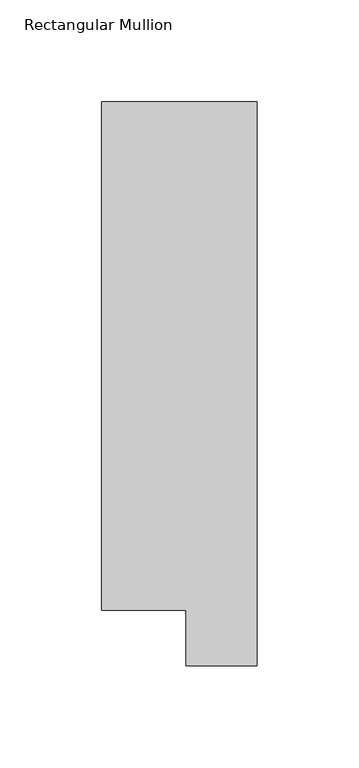
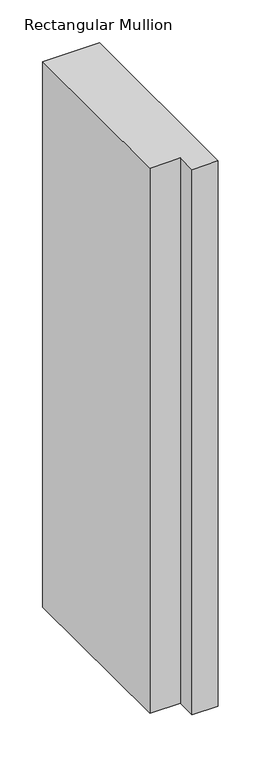
"""IFC4 building model written with IfcOpenShell, lengths in millimetres: member geometry, Rectangular Mullion."""

import ifcopenshell
import ifcopenshell.guid

model = None  # the IFC model being written
_history = None  # IfcOwnerHistory: only IFC2X3 demands one
_inside = {}  # id of a spatial element -> (the spatial element, [elements in it])
_under = {}  # id of a project, library or spatial element -> (it, [spatial elements below it])
_declared = {}  # id of a project -> (the project, [libraries it declares])
_typed = {}  # id of a type object -> (the type object, [elements of that type])
_made_of = {}  # id of a material, layer set ... -> (it, [elements and type objects made of it])


def new_model(schema):
    """Start an empty IFC model of exactly this schema.

    Asked for "IFC4X3", IfcOpenShell would pick the latest addendum, in which some entities
    have other attributes; the version numbers below select the first issue.
    IFC2X3 requires an IfcOwnerHistory on every rooted entity: one is made here for all.
    """
    global model, _history
    if schema == "IFC4X3":
        model = ifcopenshell.file(schema_version=(4, 3, 0, 0))
    else:
        model = ifcopenshell.file(schema=schema)
    _inside.clear()
    _under.clear()
    _declared.clear()
    _typed.clear()
    _made_of.clear()
    _history = None
    if model.schema == "IFC2X3":
        org = make("IfcOrganization", Name="unknown")
        user = make(
            "IfcPersonAndOrganization",
            ThePerson=make("IfcPerson", FamilyName="unknown"),
            TheOrganization=org,
        )
        app = make(
            "IfcApplication",
            ApplicationDeveloper=org,
            Version="unknown",
            ApplicationFullName="unknown",
            ApplicationIdentifier="unknown",
        )
        _history = make(
            "IfcOwnerHistory",
            OwningUser=user,
            OwningApplication=app,
            ChangeAction="ADDED",
            CreationDate=0,
        )
    return model


def make(cls, **values):
    """One entity of the class cls with the attributes given. An attribute that is None is left unset."""
    return model.create_entity(
        cls, **{name: value for name, value in values.items() if value is not None}
    )


def rooted(cls, **values):
    """An entity with a GlobalId (a new one), such as an element, a storey or a relation."""
    return make(cls, GlobalId=ifcopenshell.guid.new(), OwnerHistory=_history, **values)


def si_unit(unit_type, name, prefix=None):
    """IfcSIUnit, for example si_unit("LENGTHUNIT", "METRE", prefix="MILLI")."""
    return make("IfcSIUnit", UnitType=unit_type, Prefix=prefix, Name=name)


def assignment(units):
    """IfcUnitAssignment: the units of a project."""
    return None if units is None else make("IfcUnitAssignment", Units=units)


def point(xyz):
    """IfcCartesianPoint."""
    return None if xyz is None else make("IfcCartesianPoint", Coordinates=xyz)


def direction(xyz):
    """IfcDirection."""
    return None if xyz is None else make("IfcDirection", DirectionRatios=xyz)


def frame(location, z_axis=None, x_axis=None):
    """IfcAxis2Placement3D, a coordinate frame: its origin and axes. An axis left out is left unset."""
    return make(
        "IfcAxis2Placement3D",
        Location=point(location),
        Axis=direction(z_axis),
        RefDirection=direction(x_axis),
    )


def origin():
    """The frame at (0, 0, 0) with its axes left unset."""
    return frame((0.0, 0.0, 0.0))


def place(relative_to, where):
    """IfcLocalPlacement: puts the frame where relative to a parent placement (None: the world)."""
    return make(
        "IfcLocalPlacement", PlacementRelTo=relative_to, RelativePlacement=where
    )


def context(
    kind, dimensions, precision=None, world=None, true_north=None, identifier=None
):
    """IfcGeometricRepresentationContext, for example the 3D "Model" context."""
    return make(
        "IfcGeometricRepresentationContext",
        ContextIdentifier=identifier,
        ContextType=kind,
        CoordinateSpaceDimension=dimensions,
        Precision=precision,
        WorldCoordinateSystem=world,
        TrueNorth=true_north,
    )


def project(units=None, contexts=None):
    """IfcProject with its units and contexts."""
    return rooted(
        "IfcProject",
        Name="project",
        RepresentationContexts=contexts,
        UnitsInContext=assignment(units),
    )


def spatial(cls, under=None, at=None, **own):
    """A site, building, storey or space (cls), placed at a placement, below another one or the project."""
    s = rooted(cls, ObjectPlacement=at, **own)
    if under is not None:
        _under.setdefault(under.id(), (under, []))[1].append(s)
    return s


def polyline(points):
    """IfcPolyline through the points."""
    return make("IfcPolyline", Points=[point(p) for p in points])


def outline(outer, holes=None, kind="AREA"):
    """IfcArbitraryClosedProfileDef: a profile drawn as a closed curve; with holes, ...WithVoids."""
    if holes is None:
        return make("IfcArbitraryClosedProfileDef", ProfileType=kind, OuterCurve=outer)
    return make(
        "IfcArbitraryProfileDefWithVoids",
        ProfileType=kind,
        OuterCurve=outer,
        InnerCurves=holes,
    )


def extrude(swept, where, along, depth):
    """IfcExtrudedAreaSolid: the profile swept, set in the frame where, extruded along a direction by depth."""
    return make(
        "IfcExtrudedAreaSolid",
        SweptArea=swept,
        Position=where,
        ExtrudedDirection=direction(along),
        Depth=depth,
    )


def shape(context_of_items, identifier, shape_type, items):
    """IfcShapeRepresentation: the items that make up one representation, for example the "Body"."""
    return make(
        "IfcShapeRepresentation",
        ContextOfItems=context_of_items,
        RepresentationIdentifier=identifier,
        RepresentationType=shape_type,
        Items=items,
    )


def source(mapping_origin, context_of_items, identifier, shape_type, items):
    """IfcRepresentationMap: a shape defined once, which mapped items show again and again."""
    return make(
        "IfcRepresentationMap",
        MappingOrigin=mapping_origin,
        MappedRepresentation=shape(context_of_items, identifier, shape_type, items),
    )


def transform(
    local_origin,
    x_axis=None,
    y_axis=None,
    z_axis=None,
    scale=None,
    scale2=None,
    scale3=None,
    uniform=True,
):
    """IfcCartesianTransformationOperator3D, or its non-uniform kind. x_axis, y_axis, z_axis: its Axis1, 2, 3."""
    if uniform:
        return make(
            "IfcCartesianTransformationOperator3D",
            Axis1=direction(x_axis),
            Axis2=direction(y_axis),
            LocalOrigin=point(local_origin),
            Scale=scale,
            Axis3=direction(z_axis),
        )
    return make(
        "IfcCartesianTransformationOperator3DnonUniform",
        Axis1=direction(x_axis),
        Axis2=direction(y_axis),
        LocalOrigin=point(local_origin),
        Scale=scale,
        Axis3=direction(z_axis),
        Scale2=scale2,
        Scale3=scale3,
    )


def mapped(mapping_source, mapping_target):
    """IfcMappedItem: shows the shape of a source again, moved by a transform."""
    return make(
        "IfcMappedItem", MappingSource=mapping_source, MappingTarget=mapping_target
    )


def made_of(thing, what):
    """Note that an element or type object is made of a material, layer set ...; save() writes the relation."""
    if what is not None:
        _made_of.setdefault(what.id(), (what, []))[1].append(thing)
    return thing


def element(
    cls,
    number,
    at=None,
    inside=None,
    cuts=None,
    type_object=None,
    material=None,
    context=None,
    identifier="Body",
    shape_type=None,
    held_by="IfcProductDefinitionShape",
    body=None,
    shapes=None,
    **own,
):
    """One element of the class cls, such as IfcWall. Its Tag is "e" and its number.

    at: its placement. inside: the storey or other place that contains it. cuts: it is an
    opening in that element (IfcRelVoidsElement). A single representation is given by context,
    identifier, shape_type and body (its items); several are given by shapes. held_by: the class
    of the entity that holds the representations. save() writes the other relations.
    """
    e = rooted(cls, Tag="e%d" % number, ObjectPlacement=at, **own)
    if body is not None:
        shapes = [shape(context, identifier, shape_type, body)]
    if shapes is not None:
        e.Representation = make(held_by, Representations=shapes)
    if inside is not None:
        _inside.setdefault(inside.id(), (inside, []))[1].append(e)
    if cuts is not None:
        rooted(
            "IfcRelVoidsElement", RelatingBuildingElement=cuts, RelatedOpeningElement=e
        )
    if type_object is not None:
        _typed.setdefault(type_object.id(), (type_object, []))[1].append(e)
    return made_of(e, material)


def aggregate(whole, parts):
    """IfcRelAggregates: a whole, such as a stair, and the parts it consists of."""
    return rooted("IfcRelAggregates", RelatingObject=whole, RelatedObjects=parts)


def save(model, path):
    """Write the relations noted so far, then the file.

    IfcRelAggregates (storeys below a building ...), IfcRelContainedInSpatialStructure (elements
    in a storey), IfcRelDefinesByType, IfcRelAssociatesMaterial and IfcRelDeclares: one each for
    every whole, place, type object, material and project.
    """
    for whole, parts in _under.values():
        aggregate(whole, parts)
    for where, things in _inside.values():
        rooted(
            "IfcRelContainedInSpatialStructure",
            RelatedElements=things,
            RelatingStructure=where,
        )
    for kind, things in _typed.values():
        rooted("IfcRelDefinesByType", RelatedObjects=things, RelatingType=kind)
    for what, things in _made_of.values():
        rooted("IfcRelAssociatesMaterial", RelatedObjects=things, RelatingMaterial=what)
    for by, libraries in _declared.values():
        rooted("IfcRelDeclares", RelatingContext=by, RelatedDefinitions=libraries)
    model.write(path)


def rectangular_mullion_71eb8649(model_context):
    return source(origin(), model_context, "Body", "SweptSolid", [
        extrude(outline(polyline([(0.0, 295.9695312), (0.0, 19.5667312), (-34.9123, 19.5667312), (-34.9123, 46.7447302), (-76.2, 46.7447302), (-76.2, 295.9695312), (0.0, 295.9695312)])), frame((0.0, 0.0, -774.6999996), z_axis=(0.0, 0.0, 1.0), x_axis=(1.0, 0.0, 0.0)), (0.0, 0.0, 1.0), 774.6999996),
    ])


if __name__ == "__main__":
    model = new_model("IFC4")
    model_context = context("Model", 3, world=origin())
    ifc_project = project(units=[si_unit("LENGTHUNIT", "METRE", prefix="MILLI")], contexts=[model_context])
    site = spatial("IfcSite", under=ifc_project)
    building = spatial("IfcBuilding", under=site)
    placement = place(None, origin())
    rectangular_mullion_shape = rectangular_mullion_71eb8649(model_context)
    element("IfcMember", 1, ObjectType="Rectangular Mullion", at=placement, inside=building, context=model_context, shape_type="MappedRepresentation", body=[
        mapped(rectangular_mullion_shape, transform((0.0, 0.0, 0.0), x_axis=(1.0, 0.0, 0.0), y_axis=(0.0, 1.0, 0.0), z_axis=(0.0, 0.0, 1.0))),
    ])
    save(model, "model.ifc")
